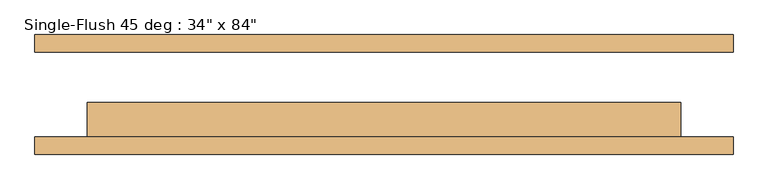
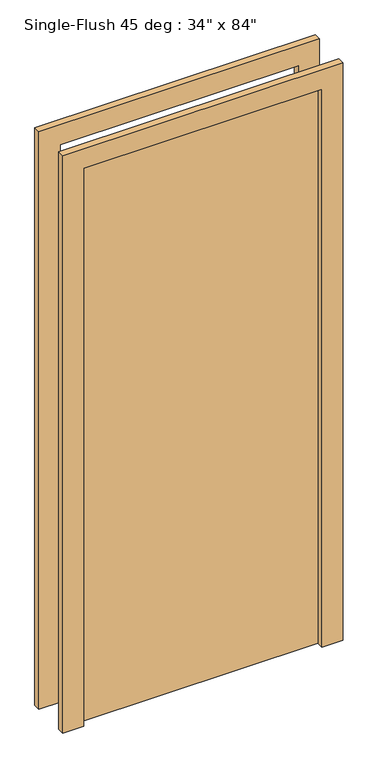
"""IFC4 building model written with IfcOpenShell, lengths in millimetres: door geometry."""

from ifc_helpers import new_model, si_unit, frame, origin, origin_with_axes, place, context, project, spatial, polyline, outline, extrude, source, transform, mapped, element, save


def door_3b0d1d25(model_context):
    return source(origin(), model_context, "Body", "SweptSolid", [
        extrude(outline(polyline([(2209.8, -508.0), (0.0, -508.0), (0.0, -431.8), (2133.6, -431.8), (2133.6, 431.8), (0.0, 431.8), (0.0, 508.0), (2209.8, 508.0), (2209.8, -508.0)])), frame((0.0, -87.3125, 0.0), z_axis=(0.0, 1.0, 0.0), x_axis=(0.0, 0.0, 1.0)), (0.0, 0.0, 1.0), 25.4),
        extrude(outline(polyline([(2209.8, 508.0), (2209.8, -508.0), (0.0, -508.0), (0.0, -431.8), (2133.6, -431.8), (2133.6, 431.8), (0.0, 431.8), (0.0, 508.0), (2209.8, 508.0)])), frame((0.0, 61.9125, 0.0), z_axis=(0.0, 1.0, 0.0), x_axis=(0.0, 0.0, 1.0)), (0.0, 0.0, 1.0), 25.4),
        extrude(outline(polyline([(431.8, -11.1125), (431.8, -61.9125), (-431.8, -61.9125), (-431.8, -11.1125), (431.8, -11.1125)])), origin_with_axes(), (0.0, 0.0, 1.0), 2133.6),
    ])


if __name__ == "__main__":
    model = new_model("IFC4")
    model_context = context("Model", 3, world=origin())
    ifc_project = project(units=[si_unit("LENGTHUNIT", "METRE", prefix="MILLI")], contexts=[model_context])
    site = spatial("IfcSite", under=ifc_project)
    building = spatial("IfcBuilding", under=site)
    placement = place(None, origin())
    door_shape = door_3b0d1d25(model_context)
    element("IfcDoor", 1, ObjectType="Single-Flush 45 deg : 34\" x 84\"", at=placement, inside=building, context=model_context, shape_type="MappedRepresentation", body=[
        mapped(door_shape, transform((0.0, 0.0, 0.0), x_axis=(1.0, 0.0, 0.0), y_axis=(0.0, 1.0, 0.0), z_axis=(0.0, 0.0, 1.0))),
    ])
    save(model, "model.ifc")
